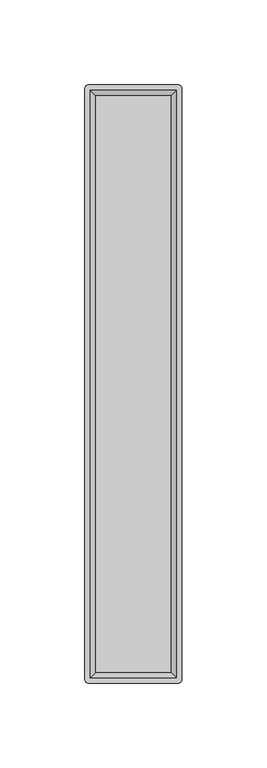
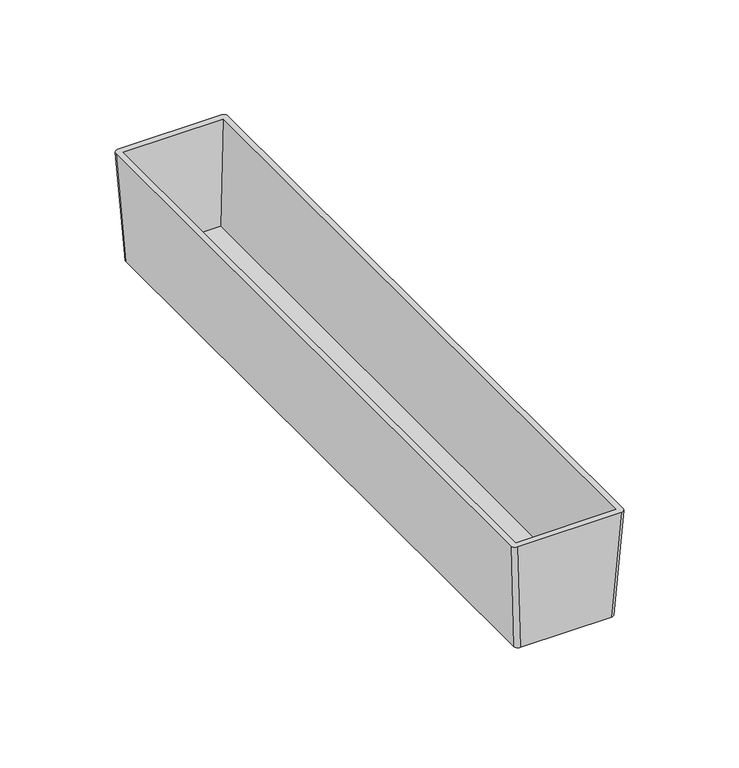
"""IFC4 building model written with IfcOpenShell, lengths in millimetres: furniture geometry."""

from ifc_helpers import new_model, si_unit, point, frame, origin, place, context, project, spatial, circle_curve, trimmed, source, transform, mapped, element, save
from ifc_brep_helpers import plane_surface, extruded_surface, advanced_brep


def furniture_ba01e22c(model_context):
    return source(origin(), model_context, "Body", "AdvancedBrep", [
        advanced_brep(
        [(23.1775, 173.0375, 1073.15), (25.4, 170.815, 1073.15), (25.4, -170.815, 1073.15), (23.1775, -173.0375, 1073.15), (-23.1775, -173.0375, 1073.15), (-25.4, -170.815, 1073.15), (-25.4, 170.815, 1073.15), (-23.1775, 173.0375, 1073.15), (26.3525, 176.2125, 1130.3), (-26.3525, 176.2125, 1130.3), (-28.575, 173.99, 1130.3), (-28.575, -173.99, 1130.3), (-26.3525, -176.2125, 1130.3), (26.3525, -176.2125, 1130.3), (28.575, -173.99, 1130.3), (28.575, 173.99, 1130.3), (-25.4, 173.0375, 1130.3), (25.4, 173.0375, 1130.3), (25.4, -173.0375, 1130.3), (-25.4, -173.0375, 1130.3), (22.225, 169.8625, 1075.69), (-22.225, 169.8625, 1075.69), (-22.225, -169.8625, 1075.69), (22.225, -169.8625, 1075.69)],
        [
            (0, 1, circle_curve(frame((23.1775, 170.815, 1073.15), z_axis=(0.0, 0.0, -1.0), x_axis=(-1.0, 0.0, 0.0)), 2.2225)),
            (1, 2),
            (2, 3, circle_curve(frame((23.1775, -170.815, 1073.15), z_axis=(0.0, 0.0, -1.0), x_axis=(-1.0, 0.0, 0.0)), 2.2225)),
            (3, 4),
            (4, 5, circle_curve(frame((-23.1775, -170.815, 1073.15), z_axis=(0.0, 0.0, -1.0), x_axis=(-1.0, 0.0, 0.0)), 2.2225)),
            (5, 6),
            (6, 7, circle_curve(frame((-23.1775, 170.815, 1073.15), z_axis=(0.0, 0.0, -1.0), x_axis=(-1.0, 0.0, 0.0)), 2.2225)),
            (7, 0),
            (8, 9),
            (9, 10, circle_curve(frame((-26.3525, 173.99, 1130.3), z_axis=(0.0, 0.0, 1.0), x_axis=(-1.0, 0.0, 0.0)), 2.2225)),
            (10, 11),
            (11, 12, circle_curve(frame((-26.3525, -173.99, 1130.3), z_axis=(0.0, 0.0, 1.0), x_axis=(-1.0, 0.0, 0.0)), 2.2225)),
            (12, 13),
            (13, 14, circle_curve(frame((26.3525, -173.99, 1130.3), z_axis=(0.0, 0.0, 1.0), x_axis=(-1.0, 0.0, 0.0)), 2.2225)),
            (14, 15),
            (15, 8, circle_curve(frame((26.3525, 173.99, 1130.3), z_axis=(0.0, 0.0, 1.0), x_axis=(-1.0, 0.0, 0.0)), 2.2225)),
            (16, 17),
            (17, 18),
            (18, 19),
            (19, 16),
            (7, 9),
            (8, 0),
            (6, 10),
            (5, 11),
            (4, 12),
            (3, 13),
            (2, 14),
            (1, 15),
            (20, 21),
            (21, 22),
            (22, 23),
            (23, 20),
            (20, 17),
            (16, 21),
            (19, 22),
            (18, 23),
        ],
        [
            plane_surface(frame((0.0, 0.0, 1073.15), z_axis=(0.0, 0.0, -1.0), x_axis=(-1.0, 0.0, 0.0))),
            plane_surface(frame((0.0, 0.0, 1130.3), z_axis=(0.0, 0.0, 1.0), x_axis=(-1.0, 0.0, 0.0))),
            plane_surface(frame((0.0, 176.2125, 1130.3), z_axis=(0.0, 0.9984603532054985, -0.055470019620974004), x_axis=(1.0, 0.0, 0.0))),
            extruded_surface(trimmed(circle_curve(frame((-26.3525, 173.99, 1130.3), z_axis=(0.0, 0.0, -1.0), x_axis=(-1.0, 0.0, 0.0)), 2.2225), [point((-28.575, 173.99, 1130.3))], [point((-26.3525, 176.2125, 1130.3))], True, "CARTESIAN"), (3.1750000000000007, -3.1750000000000114, -57.149999999999864), 57.32611752072509),
            plane_surface(frame((-28.575, 0.0, 1130.3), z_axis=(-0.9984603532054228, 0.0, -0.05547001962233689), x_axis=(0.0, 1.0, 0.0))),
            extruded_surface(trimmed(circle_curve(frame((-26.3525, -173.99, 1130.3), z_axis=(0.0, 0.0, -1.0), x_axis=(-1.0, 0.0, 0.0)), 2.2225), [point((-26.3525, -176.2125, 1130.3))], [point((-28.575, -173.99, 1130.3))], True, "CARTESIAN"), (3.1750000000000007, 3.1750000000000114, -57.149999999999864), 57.32611752072509),
            plane_surface(frame((0.0, -176.2125, 1130.3), z_axis=(0.0, -0.9984603532054979, -0.05547001962098697), x_axis=(-1.0, 0.0, 0.0))),
            extruded_surface(trimmed(circle_curve(frame((26.3525, -173.99, 1130.3), z_axis=(0.0, 0.0, -1.0), x_axis=(-1.0, 0.0, 0.0)), 2.2225), [point((28.575, -173.99, 1130.3))], [point((26.3525, -176.2125, 1130.3))], True, "CARTESIAN"), (-3.1750000000000007, 3.1750000000000114, -57.149999999999864), 57.32611752072509),
            plane_surface(frame((28.575, 0.0, 1130.3), z_axis=(0.9984603532054152, 0.0, -0.055470019622474366), x_axis=(0.0, -1.0, 0.0))),
            extruded_surface(trimmed(circle_curve(frame((26.3525, 173.99, 1130.3), z_axis=(0.0, 0.0, -1.0), x_axis=(-1.0, 0.0, 0.0)), 2.2225), [point((26.3525, 176.2125, 1130.3))], [point((28.575, 173.99, 1130.3))], True, "CARTESIAN"), (-3.1750000000000007, -3.1750000000000114, -57.149999999999864), 57.32611752072509),
            plane_surface(frame((0.0, 0.0, 1075.69), z_axis=(0.0, 0.0, 1.0), x_axis=(-1.0, 0.0, 0.0))),
            plane_surface(frame((0.0, 173.0375, 1130.3), z_axis=(0.0, -0.9983141698791151, 0.05804152150463695), x_axis=(1.0, 0.0, 0.0))),
            plane_surface(frame((-25.4, 0.0, 1130.3), z_axis=(0.9983141698791163, 0.0, 0.05804152150461953), x_axis=(0.0, 1.0, 0.0))),
            plane_surface(frame((0.0, -173.0375, 1130.3), z_axis=(0.0, 0.9983141698789251, 0.0580415215079058), x_axis=(-1.0, 0.0, 0.0))),
            plane_surface(frame((25.4, 0.0, 1130.3), z_axis=(-0.998314169879097, 0.0, 0.05804152150494846), x_axis=(0.0, -1.0, 0.0))),
        ],
        [
            (0, [[1, 2, 3, 4, 5, 6, 7, 8]]),
            (1, [[9, 10, 11, 12, 13, 14, 15, 16], [17, 18, 19, 20]]),
            (2, [[-8, 21, -9, 22]]),
            (3, [[-7, 23, -10, -21]]),
            (4, [[-6, 24, -11, -23]]),
            (5, [[-5, 25, -12, -24]]),
            (6, [[-4, 26, -13, -25]]),
            (7, [[-3, 27, -14, -26]]),
            (8, [[-2, 28, -15, -27]]),
            (9, [[-1, -22, -16, -28]]),
            (10, [[29, 30, 31, 32]]),
            (11, [[-29, 33, -17, 34]]),
            (12, [[-30, -34, -20, 35]]),
            (13, [[-31, -35, -19, 36]]),
            (14, [[-32, -36, -18, -33]]),
        ],
    ),
    ])


if __name__ == "__main__":
    model = new_model("IFC4")
    model_context = context("Model", 3, world=origin())
    ifc_project = project(units=[si_unit("LENGTHUNIT", "METRE", prefix="MILLI")], contexts=[model_context])
    site = spatial("IfcSite", under=ifc_project)
    building = spatial("IfcBuilding", under=site)
    placement = place(None, origin())
    furniture_shape = furniture_ba01e22c(model_context)
    element("IfcFurniture", 1, at=placement, inside=building, context=model_context, shape_type="MappedRepresentation", body=[
        mapped(furniture_shape, transform((0.0, 0.0, 0.0), x_axis=(1.0, 0.0, 0.0), y_axis=(0.0, 1.0, 0.0), z_axis=(0.0, 0.0, 1.0))),
    ])
    save(model, "model.ifc")
